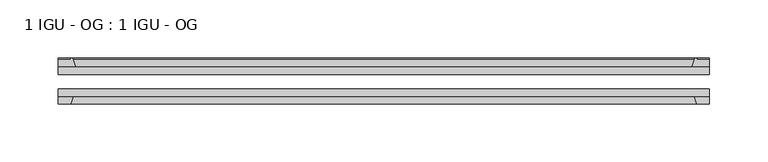
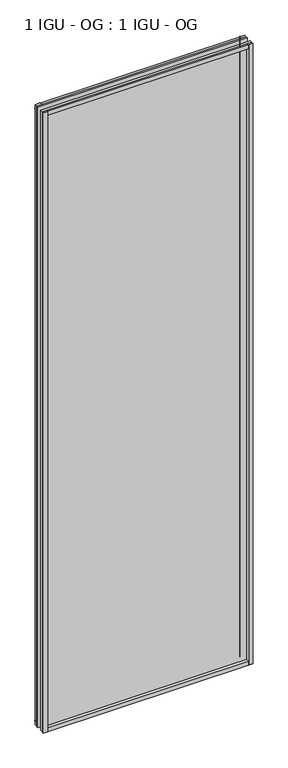
"""IFC4 building model written with IfcOpenShell, lengths in millimetres: plate geometry, 1 IGU - OG : 1 IGU - OG."""

from ifc_helpers import new_model, si_unit, point, frame, frame_2d, origin, place, context, project, spatial, polyline, circle_curve, trimmed, segment, composite_curve, outline, extrude, source, transform, mapped, element, save


def plate_1_igu_og_1_igu_og_2c425f8e(model_context):
    return source(origin(), model_context, "Body", "SweptSolid", [
        extrude(outline(polyline([(280.9875, -31.75), (280.9875, -38.1), (-280.9875, -38.1), (-280.9875, -31.75), (280.9875, -31.75)])), frame((0.0, 0.0, -11.1125), z_axis=(0.0, 0.0, 1.0), x_axis=(1.0, 0.0, 0.0)), (0.0, 0.0, 1.0), 1755.775),
        extrude(outline(polyline([(-280.9875, -12.7), (280.9875, -12.7), (280.9875, -19.05), (-280.9875, -19.05), (-280.9875, -12.7)])), frame((0.0, 0.0, -11.1125), z_axis=(0.0, 0.0, 1.0), x_axis=(1.0, 0.0, 0.0)), (0.0, 0.0, 1.0), 1755.775),
        extrude(outline(composite_curve([segment(polyline([(-265.6517091, -12.7), (-280.9875, -12.7), (-280.9875, -6.35), (-269.875, -6.35), (-269.875, -4.7751661), (-268.945586, -4.7751661)]), True, "CONTINUOUS"), segment(trimmed(circle_curve(frame_2d((-268.945586, -5.5371661)), 0.762), [point((-268.945586, -4.7751661))], [point((-268.2033761, -5.364631))], False, "CARTESIAN"), True, "CONTINUOUS"), segment(trimmed(circle_curve(frame_2d((-232.5741579, 2.9177851)), 36.5792237), [point((-268.2033761, -5.364631))], [point((-265.6517091, -12.7))], True, "CARTESIAN"), True, "CONTINUOUS")], self_intersect=False)), frame((0.0, 0.0, -11.1125), z_axis=(0.0, 0.0, 1.0), x_axis=(1.0, 0.0, 0.0)), (0.0, 0.0, 1.0), 1755.775),
        extrude(outline(polyline([(-280.9875, -38.1), (-267.7697229, -38.1), (-269.875, -44.45), (-280.9875, -44.45), (-280.9875, -38.1)])), frame((0.0, 0.0, -11.1125), z_axis=(0.0, 0.0, 1.0), x_axis=(1.0, 0.0, 0.0)), (0.0, 0.0, 1.0), 1755.775),
        extrude(outline(composite_curve([segment(trimmed(circle_curve(frame_2d((268.945586, -5.5371661)), 0.762), [point((268.2033761, -5.364631))], [point((268.945586, -4.7751661))], False, "CARTESIAN"), True, "CONTINUOUS"), segment(polyline([(268.945586, -4.7751661), (269.875, -4.7751661), (269.875, -6.35), (280.9875, -6.35), (280.9875, -12.7), (265.6517091, -12.7)]), True, "CONTINUOUS"), segment(trimmed(circle_curve(frame_2d((232.5741579, 2.9177851)), 36.5792237), [point((265.6517091, -12.7))], [point((268.2033761, -5.364631))], True, "CARTESIAN"), True, "CONTINUOUS")], self_intersect=False)), frame((0.0, 0.0, -11.1125), z_axis=(0.0, 0.0, 1.0), x_axis=(1.0, 0.0, 0.0)), (0.0, 0.0, 1.0), 1755.775),
        extrude(outline(polyline([(267.7697229, -38.1), (280.9875, -38.1), (280.9875, -44.45), (269.875, -44.45), (267.7697229, -38.1)])), frame((0.0, 0.0, -11.1125), z_axis=(0.0, 0.0, 1.0), x_axis=(1.0, 0.0, 0.0)), (0.0, 0.0, 1.0), 1755.775),
        extrude(outline(composite_curve([segment(polyline([(-12.7, -11.1125), (-12.7, 4.2232909)]), True, "CONTINUOUS"), segment(trimmed(circle_curve(frame_2d((2.9177851, 37.3008421)), 36.5792237), [point((-12.7, 4.2232909))], [point((-5.364631, 1.6716239))], True, "CARTESIAN"), True, "CONTINUOUS"), segment(trimmed(circle_curve(frame_2d((-5.5371661, 0.929414)), 0.762), [point((-5.364631, 1.6716239))], [point((-4.7751661, 0.929414))], False, "CARTESIAN"), True, "CONTINUOUS"), segment(polyline([(-4.7751661, 0.929414), (-4.7751661, 0.0), (-6.35, 0.0), (-6.35, -11.1125), (-12.7, -11.1125)]), True, "CONTINUOUS")], self_intersect=False)), frame((-280.9875, 0.0, 0.0), z_axis=(1.0, 0.0, 0.0), x_axis=(0.0, 1.0, 0.0)), (0.0, 0.0, 1.0), 561.975),
        extrude(outline(polyline([(-38.1, 2.1052771), (-38.1, -11.1125), (-44.45, -11.1125), (-44.45, 0.0), (-38.1, 2.1052771)])), frame((-280.9875, 0.0, 0.0), z_axis=(1.0, 0.0, 0.0), x_axis=(0.0, 1.0, 0.0)), (0.0, 0.0, 1.0), 561.975),
        extrude(outline(composite_curve([segment(trimmed(circle_curve(frame_2d((2.9177851, 1696.2491579)), 36.5792237), [point((-5.364631, 1731.8783761))], [point((-12.7, 1729.3267091))], True, "CARTESIAN"), True, "CONTINUOUS"), segment(polyline([(-12.7, 1729.3267091), (-12.7, 1744.6625), (-6.35, 1744.6625), (-6.35, 1733.55), (-4.7751661, 1733.55), (-4.7751661, 1732.620586)]), True, "CONTINUOUS"), segment(trimmed(circle_curve(frame_2d((-5.5371661, 1732.620586)), 0.762), [point((-4.7751661, 1732.620586))], [point((-5.364631, 1731.8783761))], False, "CARTESIAN"), True, "CONTINUOUS")], self_intersect=False)), frame((-280.9875, 0.0, 0.0), z_axis=(1.0, 0.0, 0.0), x_axis=(0.0, 1.0, 0.0)), (0.0, 0.0, 1.0), 561.975),
        extrude(outline(polyline([(-38.1, 1744.6625), (-38.1, 1731.4447229), (-44.45, 1733.55), (-44.45, 1744.6625), (-38.1, 1744.6625)])), frame((-280.9875, 0.0, 0.0), z_axis=(1.0, 0.0, 0.0), x_axis=(0.0, 1.0, 0.0)), (0.0, 0.0, 1.0), 561.975),
    ])


if __name__ == "__main__":
    model = new_model("IFC4")
    model_context = context("Model", 3, world=origin())
    ifc_project = project(units=[si_unit("LENGTHUNIT", "METRE", prefix="MILLI")], contexts=[model_context])
    site = spatial("IfcSite", under=ifc_project)
    building = spatial("IfcBuilding", under=site)
    placement = place(None, origin())
    plate_1_igu_og_1_igu_og_shape = plate_1_igu_og_1_igu_og_2c425f8e(model_context)
    element("IfcPlate", 1, ObjectType="1 IGU - OG : 1 IGU - OG", at=placement, inside=building, context=model_context, shape_type="MappedRepresentation", body=[
        mapped(plate_1_igu_og_1_igu_og_shape, transform((0.0, 0.0, 0.0), x_axis=(1.0, 0.0, 0.0), y_axis=(0.0, 1.0, 0.0), z_axis=(0.0, 0.0, 1.0))),
    ])
    save(model, "model.ifc")
